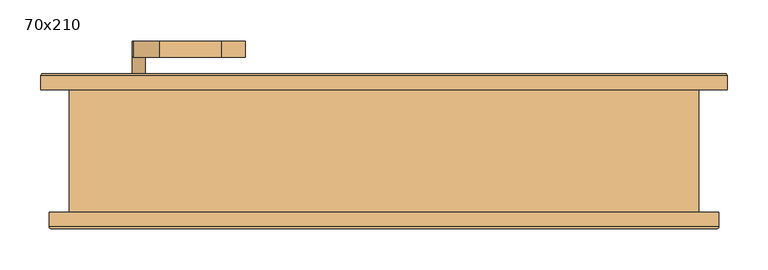
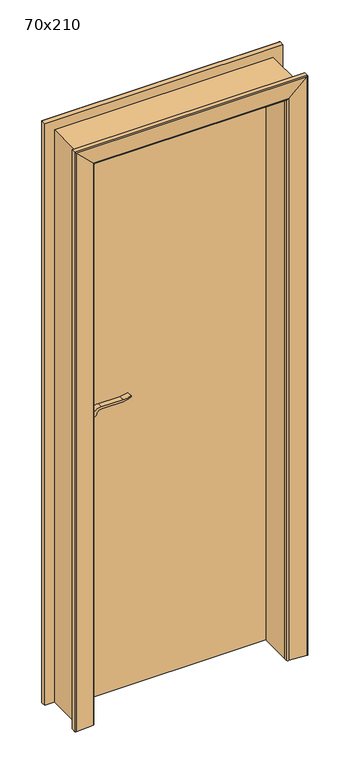
"""IFC4 building model written with IfcOpenShell, lengths in millimetres: door geometry, 70x210."""

from ifc_helpers import new_model, si_unit, point, frame, frame_2d, origin, origin_with_axes, place, context, project, spatial, polyline, circle_curve, ellipse_curve, trimmed, segment, composite_curve, outline, extrude, faceted_brep, source, transform, mapped, element, save
from ifc_brep_helpers import plane_surface, cylinder_surface, advanced_brep


def door_70x210_b9f646f8(model_context):
    return source(origin(), model_context, "Body", "SolidModel", [
        extrude(outline(composite_curve([segment(trimmed(circle_curve(frame_2d((1040.0, -300.0)), 15.0), [point((1040.0, -285.0))], [point((1040.0, -315.0))], False, "CARTESIAN"), True, "CONTINUOUS"), segment(trimmed(circle_curve(frame_2d((1040.0, -300.0)), 15.0), [point((1040.0, -315.0))], [point((1040.0, -285.0))], False, "CARTESIAN"), True, "CONTINUOUS")], self_intersect=False)), frame((0.0, 20.0, 0.0), z_axis=(0.0, 1.0, 0.0), x_axis=(0.0, 0.0, 1.0)), (0.0, 0.0, 1.0), 10.0),
        extrude(outline(composite_curve([segment(trimmed(circle_curve(frame_2d((1040.0, -300.0)), 15.0), [point((1040.0, -285.0))], [point((1040.0, -315.0))], False, "CARTESIAN"), True, "CONTINUOUS"), segment(trimmed(circle_curve(frame_2d((1040.0, -300.0)), 15.0), [point((1040.0, -315.0))], [point((1040.0, -285.0))], False, "CARTESIAN"), True, "CONTINUOUS")], self_intersect=False)), frame((0.0, 85.0, 0.0), z_axis=(0.0, 1.0, 0.0), x_axis=(0.0, 0.0, 1.0)), (0.0, 0.0, 1.0), 10.0),
        extrude(outline(composite_curve([segment(trimmed(circle_curve(frame_2d((1100.0, -300.0)), 8.0), [point((1104.6523287, -306.5081363))], [point((1100.0, -292.0))], False, "CARTESIAN"), True, "CONTINUOUS"), segment(trimmed(circle_curve(frame_2d((1094.8738613, -274.6138099)), 18.1261387), [point((1100.0, -292.0))], [point((1113.0, -274.6138099))], True, "CARTESIAN"), True, "CONTINUOUS"), segment(polyline([(1113.0, -274.6138099), (1113.0, -198.3564091)]), True, "CONTINUOUS"), segment(trimmed(circle_curve(frame_2d((1172.2709207, -201.9396612)), 59.3791355), [point((1113.0, -198.3564091))], [point((1122.2135558, -170.0))], False, "CARTESIAN"), True, "CONTINUOUS"), segment(polyline([(1122.2135558, -170.0), (1125.0, -170.0)]), True, "CONTINUOUS"), segment(trimmed(circle_curve(frame_2d((1203.2850638, -198.4227909)), 83.2850902), [point((1125.0, -170.0))], [point((1120.0, -198.3564091))], True, "CARTESIAN"), True, "CONTINUOUS"), segment(polyline([(1120.0, -198.3564091), (1120.0, -274.6325667)]), True, "CONTINUOUS"), segment(trimmed(circle_curve(frame_2d((1082.7555521, -276.3324871)), 37.2832219), [point((1120.0, -274.6325667))], [point((1104.6523287, -306.5081363))], False, "CARTESIAN"), True, "CONTINUOUS")], self_intersect=False)), frame((0.0, -20.0, 0.0), z_axis=(0.0, 1.0, 0.0), x_axis=(0.0, 0.0, 1.0)), (0.0, 0.0, 1.0), 20.0),
        extrude(outline(composite_curve([segment(trimmed(circle_curve(frame_2d((1094.8738682, -274.6138122)), 18.1261318), [point((1099.9999903, -292.0))], [point((1113.0, -274.6138122))], True, "CARTESIAN"), True, "CONTINUOUS"), segment(polyline([(1113.0, -274.6138122), (1113.0, -198.3564091)]), True, "CONTINUOUS"), segment(trimmed(circle_curve(frame_2d((1172.2709207, -201.9396612)), 59.3791355), [point((1113.0, -198.3564091))], [point((1122.2135558, -170.0))], False, "CARTESIAN"), True, "CONTINUOUS"), segment(polyline([(1122.2135558, -170.0), (1125.0, -170.0)]), True, "CONTINUOUS"), segment(trimmed(circle_curve(frame_2d((1203.2850638, -198.4227909)), 83.2850902), [point((1125.0, -170.0))], [point((1120.0, -198.3564091))], True, "CARTESIAN"), True, "CONTINUOUS"), segment(polyline([(1120.0, -198.3564091), (1120.0, -274.6325667)]), True, "CONTINUOUS"), segment(trimmed(circle_curve(frame_2d((1082.7555521, -276.3324871)), 37.2832219), [point((1120.0, -274.6325667))], [point((1104.6523287, -306.5081363))], False, "CARTESIAN"), True, "CONTINUOUS"), segment(trimmed(circle_curve(frame_2d((1100.0, -300.0)), 8.0), [point((1104.6523287, -306.5081363))], [point((1099.9999903, -292.0))], False, "CARTESIAN"), True, "CONTINUOUS")], self_intersect=False)), frame((0.0, 115.0, 0.0), z_axis=(0.0, 1.0, 0.0), x_axis=(0.0, 0.0, 1.0)), (0.0, 0.0, 1.0), 20.0),
        extrude(outline(composite_curve([segment(trimmed(circle_curve(frame_2d((1100.0, -300.0)), 8.0), [point((1100.0, -292.0))], [point((1100.0, -308.0))], False, "CARTESIAN"), True, "CONTINUOUS"), segment(trimmed(circle_curve(frame_2d((1100.0, -300.0)), 8.0), [point((1100.0, -308.0))], [point((1100.0, -292.0))], False, "CARTESIAN"), True, "CONTINUOUS")], self_intersect=False)), frame((0.0, 0.0, 0.0), z_axis=(0.0, 1.0, 0.0), x_axis=(0.0, 0.0, 1.0)), (0.0, 0.0, 1.0), 30.0),
        extrude(outline(composite_curve([segment(trimmed(circle_curve(frame_2d((1100.0, -300.0)), 8.0), [point((1100.0, -292.0))], [point((1100.0, -308.0))], False, "CARTESIAN"), True, "CONTINUOUS"), segment(trimmed(circle_curve(frame_2d((1100.0, -300.0)), 8.0), [point((1100.0, -308.0))], [point((1100.0, -292.0))], False, "CARTESIAN"), True, "CONTINUOUS")], self_intersect=False)), frame((0.0, 85.0, 0.0), z_axis=(0.0, 1.0, 0.0), x_axis=(0.0, 0.0, 1.0)), (0.0, 0.0, 1.0), 30.0),
        extrude(outline(composite_curve([segment(trimmed(circle_curve(frame_2d((1030.0, -300.0)), 25.0), [point((1030.0, -325.0))], [point((1030.0, -275.0))], False, "CARTESIAN"), True, "CONTINUOUS"), segment(polyline([(1030.0, -275.0), (1100.0, -275.0)]), True, "CONTINUOUS"), segment(trimmed(circle_curve(frame_2d((1100.0, -300.0)), 25.0), [point((1100.0, -275.0))], [point((1100.0, -325.0))], False, "CARTESIAN"), True, "CONTINUOUS"), segment(polyline([(1100.0, -325.0), (1030.0, -325.0)]), True, "CONTINUOUS")], self_intersect=False)), frame((0.0, 30.0, 0.0), z_axis=(0.0, 1.0, 0.0), x_axis=(0.0, 0.0, 1.0)), (0.0, 0.0, 1.0), 10.0),
        extrude(outline(composite_curve([segment(trimmed(circle_curve(frame_2d((1030.0, -300.0)), 25.0), [point((1030.0, -325.0))], [point((1030.0, -275.0))], False, "CARTESIAN"), True, "CONTINUOUS"), segment(polyline([(1030.0, -275.0), (1100.0, -275.0)]), True, "CONTINUOUS"), segment(trimmed(circle_curve(frame_2d((1100.0, -300.0)), 25.0), [point((1100.0, -275.0))], [point((1100.0, -325.0))], False, "CARTESIAN"), True, "CONTINUOUS"), segment(polyline([(1100.0, -325.0), (1030.0, -325.0)]), True, "CONTINUOUS")], self_intersect=False)), frame((0.0, 75.0, 0.0), z_axis=(0.0, 1.0, 0.0), x_axis=(0.0, 0.0, 1.0)), (0.0, 0.0, 1.0), 10.0),
        extrude(outline(polyline([(350.0, 40.0), (-350.0, 40.0), (-350.0, 75.0), (350.0, 75.0), (350.0, 40.0)])), origin_with_axes(), (0.0, 0.0, 1.0), 2100.0),
        advanced_brep(
        [(410.0, -75.0, 0.0), (410.0, -92.3003068, 0.0), (407.3082588, -94.792943, 0.0), (345.0, -90.0, 0.0), (340.0, -85.0, 0.0), (340.0, -75.0, 0.0), (340.0, -75.0, 2090.0), (-340.0, -75.0, 2090.0), (-340.0, -75.0, 0.0), (-410.0, -75.0, 0.0), (-410.0, -75.0, 2160.0), (410.0, -75.0, 2160.0), (340.0, -85.0, 2090.0), (345.0, -90.0, 2095.0), (407.3082588, -94.792943, 2157.3082588), (410.0, -92.3003068, 2160.0), (-410.0, -92.3003068, 0.0), (-410.0, -92.3003068, 2160.0), (-340.0, -85.0, 0.0), (-345.0, -90.0, 0.0), (-407.3082588, -94.792943, 0.0), (-340.0, -85.0, 2090.0), (-407.3082588, -94.792943, 2157.3082588), (-345.0, -90.0, 2095.0)],
        [
            (0, 1),
            (1, 2, circle_curve(frame((407.5, -92.3003068, 0.0), z_axis=(0.0, 0.0, -1.0), x_axis=(0.0, -1.0, 0.0)), 2.5)),
            (2, 3),
            (3, 4, circle_curve(frame((345.0, -85.0, 0.0), z_axis=(0.0, 0.0, -1.0), x_axis=(0.0, -1.0, 0.0)), 5.0)),
            (4, 5),
            (5, 0),
            (5, 6),
            (6, 7),
            (7, 8),
            (8, 9),
            (9, 10),
            (10, 11),
            (11, 0),
            (4, 12),
            (12, 6),
            (3, 13),
            (13, 12, ellipse_curve(frame((345.0, -85.0, 2095.0), z_axis=(0.7071067811865475, 0.0, -0.7071067811865475), x_axis=(-0.7071067811865474, 0.0, -0.7071067811865476)), 7.0710678, 5.0)),
            (2, 14),
            (14, 13),
            (1, 15),
            (15, 14, ellipse_curve(frame((407.5, -92.3003068, 2157.5), z_axis=(0.7071067811865475, 0.0, -0.7071067811865475), x_axis=(-0.7071067811865474, 0.0, -0.7071067811865476)), 3.5355339, 2.5)),
            (11, 15),
            (9, 16),
            (16, 17),
            (17, 10),
            (8, 18),
            (18, 19, circle_curve(frame((-345.0, -85.0, 0.0), z_axis=(0.0, 0.0, -1.0), x_axis=(0.0, -1.0, 0.0)), 5.0)),
            (19, 20),
            (20, 16, circle_curve(frame((-407.5, -92.3003068, 0.0), z_axis=(0.0, 0.0, -1.0), x_axis=(0.0, -1.0, 0.0)), 2.5)),
            (21, 18),
            (7, 21),
            (20, 22),
            (22, 17, ellipse_curve(frame((-407.5, -92.3003068, 2157.5), z_axis=(-0.7071067811865475, 0.0, -0.7071067811865475), x_axis=(-0.7071067811865474, 0.0, 0.7071067811865476)), 3.5355339, 2.5)),
            (19, 23),
            (23, 22),
            (21, 23, ellipse_curve(frame((-345.0, -85.0, 2095.0), z_axis=(-0.7071067811865475, 0.0, -0.7071067811865475), x_axis=(-0.7071067811865474, 0.0, 0.7071067811865476)), 7.0710678, 5.0)),
            (12, 21),
            (13, 23),
            (14, 22),
            (15, 17),
        ],
        [
            plane_surface(frame((340.0, -75.0, 0.0), z_axis=(0.0, 0.0, -1.0), x_axis=(-1.0, 0.0, 0.0))),
            plane_surface(frame((410.0, -75.0, 0.0), z_axis=(0.0, 1.0, 0.0), x_axis=(0.0, 0.0, 1.0))),
            plane_surface(frame((340.0, -75.0, 0.0), z_axis=(-1.0, 0.0, 0.0), x_axis=(0.0, 0.0, 1.0))),
            cylinder_surface(frame((345.0, -85.0, 0.0), z_axis=(0.0, 0.0, -1.0), x_axis=(0.0, -1.0, 0.0)), 5.0),
            plane_surface(frame((345.0, -90.0, 0.0), z_axis=(-0.07669649888474349, -0.9970544855015812, 0.0), x_axis=(0.0, 0.0, 1.0))),
            cylinder_surface(frame((407.5, -92.3003068, 0.0), z_axis=(0.0, 0.0, -1.0), x_axis=(0.0, -1.0, 0.0)), 2.5),
            plane_surface(frame((410.0, -92.3003068, 0.0), z_axis=(1.0, 0.0, 0.0), x_axis=(0.0, 0.0, 1.0))),
            plane_surface(frame((-410.0, -92.3003068, 2160.0), z_axis=(-1.0, 0.0, 0.0), x_axis=(0.0, 0.0, -1.0))),
            plane_surface(frame((-340.0, -75.0, 0.0), z_axis=(0.0, 0.0, -1.0), x_axis=(1.0, 0.0, 0.0))),
            plane_surface(frame((-340.0, -75.0, 2090.0), z_axis=(1.0, 0.0, 0.0), x_axis=(0.0, 0.0, -1.0))),
            cylinder_surface(frame((-407.5, -92.3003068, 2090.0), z_axis=(0.0, 0.0, 1.0), x_axis=(0.0, -1.0, 0.0)), 2.5),
            plane_surface(frame((-345.0, -90.0, 2095.0), z_axis=(0.07669649888474349, -0.9970544855015812, 0.0), x_axis=(0.0, 0.0, -1.0))),
            cylinder_surface(frame((-345.0, -85.0, 2090.0), z_axis=(0.0, 0.0, 1.0), x_axis=(0.0, -1.0, 0.0)), 5.0),
            plane_surface(frame((340.0, -75.0, 2090.0), z_axis=(0.0, 0.0, -1.0), x_axis=(-1.0, 0.0, 0.0))),
            cylinder_surface(frame((340.0, -85.0, 2095.0), z_axis=(1.0, 0.0, 0.0), x_axis=(0.0, -1.0, 0.0)), 5.0),
            plane_surface(frame((345.0, -90.0, 2095.0), z_axis=(0.0, -0.9970544855015812, -0.07669649888474349), x_axis=(-1.0, 0.0, 0.0))),
            cylinder_surface(frame((340.0, -92.3003068, 2157.5), z_axis=(1.0, 0.0, 0.0), x_axis=(0.0, -1.0, 0.0)), 2.5),
            plane_surface(frame((410.0, -92.3003068, 2160.0), z_axis=(0.0, 0.0, 1.0), x_axis=(-1.0, 0.0, 0.0))),
        ],
        [
            (0, [[1, 2, 3, 4, 5, 6]]),
            (1, [[7, 8, 9, 10, 11, 12, 13, -6]]),
            (2, [[14, 15, -7, -5]]),
            (3, [[16, 17, -14, -4]]),
            (4, [[18, 19, -16, -3]]),
            (5, [[20, 21, -18, -2]]),
            (6, [[-13, 22, -20, -1]]),
            (7, [[-11, 23, 24, 25]]),
            (8, [[-10, 26, 27, 28, 29, -23]]),
            (9, [[30, -26, -9, 31]]),
            (10, [[-24, -29, 32, 33]]),
            (11, [[-32, -28, 34, 35]]),
            (12, [[-34, -27, -30, 36]]),
            (13, [[37, -31, -8, -15]]),
            (14, [[38, -36, -37, -17]]),
            (15, [[39, -35, -38, -19]]),
            (16, [[40, -33, -39, -21]]),
            (17, [[-12, -25, -40, -22]]),
        ],
    ),
        advanced_brep(
        [(420.0, 75.0, 0.0), (350.0, 75.0, 0.0), (350.0, 85.0, 0.0), (355.0, 90.0, 0.0), (417.3082588, 94.792943, 0.0), (420.0, 92.3003068, 0.0), (420.0, 92.3003068, 2170.0), (420.0, 75.0, 2170.0), (417.3082588, 94.792943, 2167.3082588), (355.0, 90.0, 2105.0), (350.0, 85.0, 2100.0), (350.0, 75.0, 2100.0), (-420.0, 75.0, 2170.0), (-420.0, 75.0, 0.0), (-350.0, 75.0, 0.0), (-350.0, 75.0, 2100.0), (-350.0, 85.0, 0.0), (-350.0, 85.0, 2100.0), (-420.0, 92.3003068, 0.0), (-417.3082588, 94.792943, 0.0), (-355.0, 90.0, 0.0), (-420.0, 92.3003068, 2170.0), (-355.0, 90.0, 2105.0), (-417.3082588, 94.792943, 2167.3082588)],
        [
            (0, 1),
            (1, 2),
            (2, 3, circle_curve(frame((355.0, 85.0, 0.0), z_axis=(0.0, 0.0, -1.0), x_axis=(0.0, 1.0, 0.0)), 5.0)),
            (3, 4),
            (4, 5, circle_curve(frame((417.5, 92.3003068, 0.0), z_axis=(0.0, 0.0, -1.0), x_axis=(0.0, 1.0, 0.0)), 2.5)),
            (5, 0),
            (5, 6),
            (6, 7),
            (7, 0),
            (4, 8),
            (8, 6, ellipse_curve(frame((417.5, 92.3003068, 2167.5), z_axis=(0.7071067811865475, 0.0, -0.7071067811865475), x_axis=(-0.7071067811865474, 0.0, -0.7071067811865476)), 3.5355339, 2.5)),
            (3, 9),
            (9, 8),
            (2, 10),
            (10, 9, ellipse_curve(frame((355.0, 85.0, 2105.0), z_axis=(0.7071067811865475, 0.0, -0.7071067811865475), x_axis=(-0.7071067811865474, 0.0, -0.7071067811865476)), 7.0710678, 5.0)),
            (1, 11),
            (11, 10),
            (7, 12),
            (12, 13),
            (13, 14),
            (14, 15),
            (15, 11),
            (14, 16),
            (16, 17),
            (17, 15),
            (13, 18),
            (18, 19, circle_curve(frame((-417.5, 92.3003068, 0.0), z_axis=(0.0, 0.0, -1.0), x_axis=(0.0, 1.0, 0.0)), 2.5)),
            (19, 20),
            (20, 16, circle_curve(frame((-355.0, 85.0, 0.0), z_axis=(0.0, 0.0, -1.0), x_axis=(0.0, 1.0, 0.0)), 5.0)),
            (21, 18),
            (12, 21),
            (20, 22),
            (22, 17, ellipse_curve(frame((-355.0, 85.0, 2105.0), z_axis=(-0.7071067811865475, 0.0, -0.7071067811865475), x_axis=(-0.7071067811865474, 0.0, 0.7071067811865476)), 7.0710678, 5.0)),
            (19, 23),
            (23, 22),
            (21, 23, ellipse_curve(frame((-417.5, 92.3003068, 2167.5), z_axis=(-0.7071067811865475, 0.0, -0.7071067811865475), x_axis=(-0.7071067811865474, 0.0, 0.7071067811865476)), 3.5355339, 2.5)),
            (6, 21),
            (8, 23),
            (9, 22),
            (10, 17),
        ],
        [
            plane_surface(frame((350.0, 75.0, 0.0), z_axis=(0.0, 0.0, -1.0), x_axis=(-1.0, 0.0, 0.0))),
            plane_surface(frame((420.0, 75.0, 0.0), z_axis=(1.0, 0.0, 0.0), x_axis=(0.0, 0.0, 1.0))),
            cylinder_surface(frame((417.5, 92.3003068, 0.0), z_axis=(0.0, 0.0, -1.0), x_axis=(0.0, 1.0, 0.0)), 2.5),
            plane_surface(frame((417.3082588, 94.792943, 0.0), z_axis=(-0.07669649888474349, 0.9970544855015812, 0.0), x_axis=(0.0, 0.0, 1.0))),
            cylinder_surface(frame((355.0, 85.0, 0.0), z_axis=(0.0, 0.0, -1.0), x_axis=(0.0, 1.0, 0.0)), 5.0),
            plane_surface(frame((350.0, 85.0, 0.0), z_axis=(-1.0, 0.0, 0.0), x_axis=(0.0, 0.0, 1.0))),
            plane_surface(frame((350.0, 75.0, 0.0), z_axis=(0.0, -1.0, 0.0), x_axis=(0.0, 0.0, 1.0))),
            plane_surface(frame((-350.0, 85.0, 2100.0), z_axis=(1.0, 0.0, 0.0), x_axis=(0.0, 0.0, -1.0))),
            plane_surface(frame((-350.0, 75.0, 0.0), z_axis=(0.0, 0.0, -1.0), x_axis=(1.0, 0.0, 0.0))),
            plane_surface(frame((-420.0, 75.0, 2170.0), z_axis=(-1.0, 0.0, 0.0), x_axis=(0.0, 0.0, -1.0))),
            cylinder_surface(frame((-355.0, 85.0, 2100.0), z_axis=(0.0, 0.0, 1.0), x_axis=(0.0, 1.0, 0.0)), 5.0),
            plane_surface(frame((-417.3082588, 94.792943, 2167.3082588), z_axis=(0.07669649888474349, 0.9970544855015812, 0.0), x_axis=(0.0, 0.0, -1.0))),
            cylinder_surface(frame((-417.5, 92.3003068, 2100.0), z_axis=(0.0, 0.0, 1.0), x_axis=(0.0, 1.0, 0.0)), 2.5),
            plane_surface(frame((420.0, 75.0, 2170.0), z_axis=(0.0, 0.0, 1.0), x_axis=(-1.0, 0.0, 0.0))),
            cylinder_surface(frame((350.0, 92.3003068, 2167.5), z_axis=(1.0, 0.0, 0.0), x_axis=(0.0, 1.0, 0.0)), 2.5),
            plane_surface(frame((417.3082588, 94.792943, 2167.3082588), z_axis=(0.0, 0.9970544855015812, -0.07669649888474347), x_axis=(-1.0, 0.0, 0.0))),
            cylinder_surface(frame((350.0, 85.0, 2105.0), z_axis=(1.0, 0.0, 0.0), x_axis=(0.0, 1.0, 0.0)), 5.0),
            plane_surface(frame((350.0, 85.0, 2100.0), z_axis=(0.0, 0.0, -1.0), x_axis=(-1.0, 0.0, 0.0))),
        ],
        [
            (0, [[1, 2, 3, 4, 5, 6]]),
            (1, [[7, 8, 9, -6]]),
            (2, [[10, 11, -7, -5]]),
            (3, [[12, 13, -10, -4]]),
            (4, [[14, 15, -12, -3]]),
            (5, [[16, 17, -14, -2]]),
            (6, [[-9, 18, 19, 20, 21, 22, -16, -1]]),
            (7, [[-21, 23, 24, 25]]),
            (8, [[26, 27, 28, 29, -23, -20]]),
            (9, [[30, -26, -19, 31]]),
            (10, [[-24, -29, 32, 33]]),
            (11, [[-32, -28, 34, 35]]),
            (12, [[-34, -27, -30, 36]]),
            (13, [[37, -31, -18, -8]]),
            (14, [[38, -36, -37, -11]]),
            (15, [[39, -35, -38, -13]]),
            (16, [[40, -33, -39, -15]]),
            (17, [[-22, -25, -40, -17]]),
        ],
    ),
        faceted_brep([(340.0, -75.0, 0.0), (340.0, 40.0, 0.0), (350.0, 40.0, 0.0), (350.0, 75.0, 0.0), (385.0, 75.0, 0.0), (385.0, -75.0, 0.0), (385.0, -75.0, 2135.0), (-385.0, -75.0, 2135.0), (-385.0, -75.0, 0.0), (-340.0, -75.0, 0.0), (-340.0, -75.0, 2090.0), (340.0, -75.0, 2090.0), (385.0, 75.0, 2135.0), (350.0, 75.0, 2100.0), (-350.0, 75.0, 2100.0), (-350.0, 75.0, 0.0), (-385.0, 75.0, 0.0), (-385.0, 75.0, 2135.0), (350.0, 40.0, 2100.0), (340.0, 40.0, 2090.0), (-340.0, 40.0, 2090.0), (-340.0, 40.0, 0.0), (-350.0, 40.0, 0.0), (-350.0, 40.0, 2100.0)], [[[0, 1, 2, 3, 4, 5]], [[5, 6, 7, 8, 9, 10, 11, 0]], [[4, 12, 6, 5]], [[3, 13, 14, 15, 16, 17, 12, 4]], [[2, 18, 13, 3]], [[1, 19, 20, 21, 22, 23, 18, 2]], [[0, 11, 19, 1]], [[10, 9, 21, 20]], [[9, 8, 16, 15, 22, 21]], [[17, 16, 8, 7]], [[23, 22, 15, 14]], [[12, 17, 7, 6]], [[18, 23, 14, 13]], [[11, 10, 20, 19]]]),
    ])


if __name__ == "__main__":
    model = new_model("IFC4")
    model_context = context("Model", 3, world=origin())
    ifc_project = project(units=[si_unit("LENGTHUNIT", "METRE", prefix="MILLI")], contexts=[model_context])
    site = spatial("IfcSite", under=ifc_project)
    building = spatial("IfcBuilding", under=site)
    placement = place(None, origin())
    door_70x210_shape = door_70x210_b9f646f8(model_context)
    element("IfcDoor", 1, ObjectType="70x210", at=placement, inside=building, context=model_context, shape_type="MappedRepresentation", body=[
        mapped(door_70x210_shape, transform((0.0, 0.0, 0.0), x_axis=(1.0, 0.0, 0.0), y_axis=(0.0, 1.0, 0.0), z_axis=(0.0, 0.0, 1.0))),
    ])
    save(model, "model.ifc")
